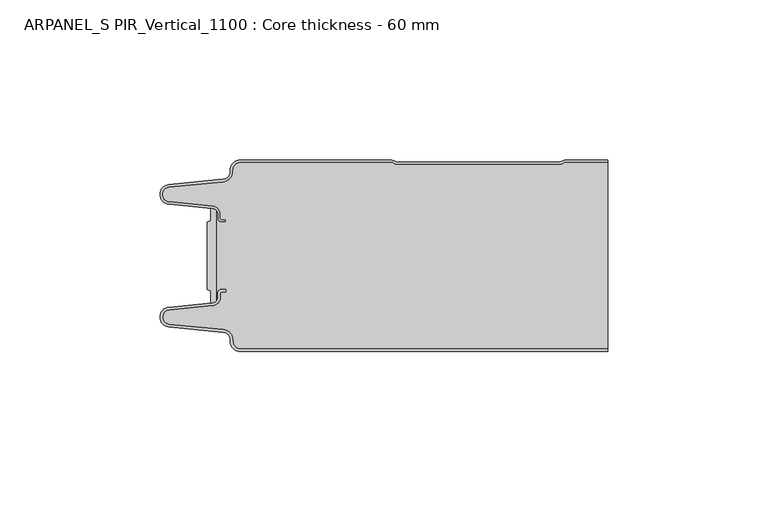
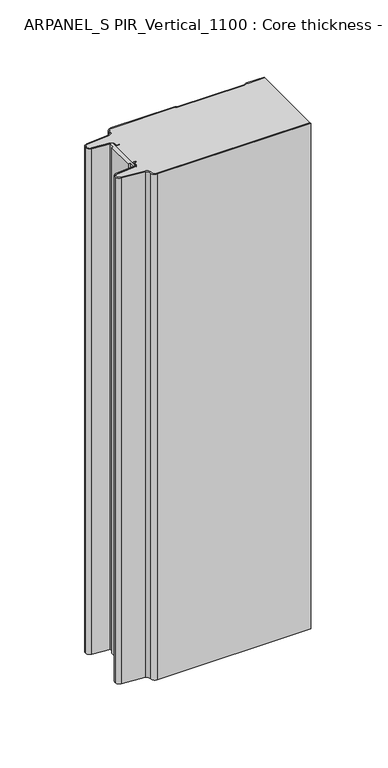
"""IFC4 building model written with IfcOpenShell, lengths in millimetres: plate geometry, ARPANEL_S PIR_Vertical_1100 : Core thickness - 60 mm."""

import ifcopenshell
import ifcopenshell.guid

model = None  # the IFC model being written
_history = None  # IfcOwnerHistory: only IFC2X3 demands one
_inside = {}  # id of a spatial element -> (the spatial element, [elements in it])
_under = {}  # id of a project, library or spatial element -> (it, [spatial elements below it])
_declared = {}  # id of a project -> (the project, [libraries it declares])
_typed = {}  # id of a type object -> (the type object, [elements of that type])
_made_of = {}  # id of a material, layer set ... -> (it, [elements and type objects made of it])


def new_model(schema):
    """Start an empty IFC model of exactly this schema.

    Asked for "IFC4X3", IfcOpenShell would pick the latest addendum, in which some entities
    have other attributes; the version numbers below select the first issue.
    IFC2X3 requires an IfcOwnerHistory on every rooted entity: one is made here for all.
    """
    global model, _history
    if schema == "IFC4X3":
        model = ifcopenshell.file(schema_version=(4, 3, 0, 0))
    else:
        model = ifcopenshell.file(schema=schema)
    _inside.clear()
    _under.clear()
    _declared.clear()
    _typed.clear()
    _made_of.clear()
    _history = None
    if model.schema == "IFC2X3":
        org = make("IfcOrganization", Name="unknown")
        user = make(
            "IfcPersonAndOrganization",
            ThePerson=make("IfcPerson", FamilyName="unknown"),
            TheOrganization=org,
        )
        app = make(
            "IfcApplication",
            ApplicationDeveloper=org,
            Version="unknown",
            ApplicationFullName="unknown",
            ApplicationIdentifier="unknown",
        )
        _history = make(
            "IfcOwnerHistory",
            OwningUser=user,
            OwningApplication=app,
            ChangeAction="ADDED",
            CreationDate=0,
        )
    return model


def make(cls, **values):
    """One entity of the class cls with the attributes given. An attribute that is None is left unset."""
    return model.create_entity(
        cls, **{name: value for name, value in values.items() if value is not None}
    )


def rooted(cls, **values):
    """An entity with a GlobalId (a new one), such as an element, a storey or a relation."""
    return make(cls, GlobalId=ifcopenshell.guid.new(), OwnerHistory=_history, **values)


def si_unit(unit_type, name, prefix=None):
    """IfcSIUnit, for example si_unit("LENGTHUNIT", "METRE", prefix="MILLI")."""
    return make("IfcSIUnit", UnitType=unit_type, Prefix=prefix, Name=name)


def assignment(units):
    """IfcUnitAssignment: the units of a project."""
    return None if units is None else make("IfcUnitAssignment", Units=units)


def point(xyz):
    """IfcCartesianPoint."""
    return None if xyz is None else make("IfcCartesianPoint", Coordinates=xyz)


def direction(xyz):
    """IfcDirection."""
    return None if xyz is None else make("IfcDirection", DirectionRatios=xyz)


def frame(location, z_axis=None, x_axis=None):
    """IfcAxis2Placement3D, a coordinate frame: its origin and axes. An axis left out is left unset."""
    return make(
        "IfcAxis2Placement3D",
        Location=point(location),
        Axis=direction(z_axis),
        RefDirection=direction(x_axis),
    )


def frame_2d(location, x_axis=None):
    """IfcAxis2Placement2D, a coordinate frame in the plane: its origin and x axis."""
    return make(
        "IfcAxis2Placement2D", Location=point(location), RefDirection=direction(x_axis)
    )


def origin():
    """The frame at (0, 0, 0) with its axes left unset."""
    return frame((0.0, 0.0, 0.0))


def origin_with_axes():
    """The frame at (0, 0, 0) with the z axis (0, 0, 1) and the x axis (1, 0, 0) written out."""
    return frame((0.0, 0.0, 0.0), z_axis=(0.0, 0.0, 1.0), x_axis=(1.0, 0.0, 0.0))


def place(relative_to, where):
    """IfcLocalPlacement: puts the frame where relative to a parent placement (None: the world)."""
    return make(
        "IfcLocalPlacement", PlacementRelTo=relative_to, RelativePlacement=where
    )


def context(
    kind, dimensions, precision=None, world=None, true_north=None, identifier=None
):
    """IfcGeometricRepresentationContext, for example the 3D "Model" context."""
    return make(
        "IfcGeometricRepresentationContext",
        ContextIdentifier=identifier,
        ContextType=kind,
        CoordinateSpaceDimension=dimensions,
        Precision=precision,
        WorldCoordinateSystem=world,
        TrueNorth=true_north,
    )


def project(units=None, contexts=None):
    """IfcProject with its units and contexts."""
    return rooted(
        "IfcProject",
        Name="project",
        RepresentationContexts=contexts,
        UnitsInContext=assignment(units),
    )


def spatial(cls, under=None, at=None, **own):
    """A site, building, storey or space (cls), placed at a placement, below another one or the project."""
    s = rooted(cls, ObjectPlacement=at, **own)
    if under is not None:
        _under.setdefault(under.id(), (under, []))[1].append(s)
    return s


def polyline(points):
    """IfcPolyline through the points."""
    return make("IfcPolyline", Points=[point(p) for p in points])


def circle_curve(where, radius):
    """IfcCircle in the frame where."""
    return make("IfcCircle", Position=where, Radius=radius)


def trimmed(basis, trim1, trim2, sense, master):
    """IfcTrimmedCurve: the piece of a basis curve between two trims."""
    return make(
        "IfcTrimmedCurve",
        BasisCurve=basis,
        Trim1=trim1,
        Trim2=trim2,
        SenseAgreement=sense,
        MasterRepresentation=master,
    )


def segment(curve, same_sense, transition):
    """IfcCompositeCurveSegment."""
    return make(
        "IfcCompositeCurveSegment",
        Transition=transition,
        SameSense=same_sense,
        ParentCurve=curve,
    )


def composite_curve(segments, self_intersect=None):
    """IfcCompositeCurve: segments joined end to end."""
    return make("IfcCompositeCurve", Segments=segments, SelfIntersect=self_intersect)


def outline(outer, holes=None, kind="AREA"):
    """IfcArbitraryClosedProfileDef: a profile drawn as a closed curve; with holes, ...WithVoids."""
    if holes is None:
        return make("IfcArbitraryClosedProfileDef", ProfileType=kind, OuterCurve=outer)
    return make(
        "IfcArbitraryProfileDefWithVoids",
        ProfileType=kind,
        OuterCurve=outer,
        InnerCurves=holes,
    )


def extrude(swept, where, along, depth):
    """IfcExtrudedAreaSolid: the profile swept, set in the frame where, extruded along a direction by depth."""
    return make(
        "IfcExtrudedAreaSolid",
        SweptArea=swept,
        Position=where,
        ExtrudedDirection=direction(along),
        Depth=depth,
    )


def shape(context_of_items, identifier, shape_type, items):
    """IfcShapeRepresentation: the items that make up one representation, for example the "Body"."""
    return make(
        "IfcShapeRepresentation",
        ContextOfItems=context_of_items,
        RepresentationIdentifier=identifier,
        RepresentationType=shape_type,
        Items=items,
    )


def source(mapping_origin, context_of_items, identifier, shape_type, items):
    """IfcRepresentationMap: a shape defined once, which mapped items show again and again."""
    return make(
        "IfcRepresentationMap",
        MappingOrigin=mapping_origin,
        MappedRepresentation=shape(context_of_items, identifier, shape_type, items),
    )


def transform(
    local_origin,
    x_axis=None,
    y_axis=None,
    z_axis=None,
    scale=None,
    scale2=None,
    scale3=None,
    uniform=True,
):
    """IfcCartesianTransformationOperator3D, or its non-uniform kind. x_axis, y_axis, z_axis: its Axis1, 2, 3."""
    if uniform:
        return make(
            "IfcCartesianTransformationOperator3D",
            Axis1=direction(x_axis),
            Axis2=direction(y_axis),
            LocalOrigin=point(local_origin),
            Scale=scale,
            Axis3=direction(z_axis),
        )
    return make(
        "IfcCartesianTransformationOperator3DnonUniform",
        Axis1=direction(x_axis),
        Axis2=direction(y_axis),
        LocalOrigin=point(local_origin),
        Scale=scale,
        Axis3=direction(z_axis),
        Scale2=scale2,
        Scale3=scale3,
    )


def mapped(mapping_source, mapping_target):
    """IfcMappedItem: shows the shape of a source again, moved by a transform."""
    return make(
        "IfcMappedItem", MappingSource=mapping_source, MappingTarget=mapping_target
    )


def made_of(thing, what):
    """Note that an element or type object is made of a material, layer set ...; save() writes the relation."""
    if what is not None:
        _made_of.setdefault(what.id(), (what, []))[1].append(thing)
    return thing


def element(
    cls,
    number,
    at=None,
    inside=None,
    cuts=None,
    type_object=None,
    material=None,
    context=None,
    identifier="Body",
    shape_type=None,
    held_by="IfcProductDefinitionShape",
    body=None,
    shapes=None,
    **own,
):
    """One element of the class cls, such as IfcWall. Its Tag is "e" and its number.

    at: its placement. inside: the storey or other place that contains it. cuts: it is an
    opening in that element (IfcRelVoidsElement). A single representation is given by context,
    identifier, shape_type and body (its items); several are given by shapes. held_by: the class
    of the entity that holds the representations. save() writes the other relations.
    """
    e = rooted(cls, Tag="e%d" % number, ObjectPlacement=at, **own)
    if body is not None:
        shapes = [shape(context, identifier, shape_type, body)]
    if shapes is not None:
        e.Representation = make(held_by, Representations=shapes)
    if inside is not None:
        _inside.setdefault(inside.id(), (inside, []))[1].append(e)
    if cuts is not None:
        rooted(
            "IfcRelVoidsElement", RelatingBuildingElement=cuts, RelatedOpeningElement=e
        )
    if type_object is not None:
        _typed.setdefault(type_object.id(), (type_object, []))[1].append(e)
    return made_of(e, material)


def aggregate(whole, parts):
    """IfcRelAggregates: a whole, such as a stair, and the parts it consists of."""
    return rooted("IfcRelAggregates", RelatingObject=whole, RelatedObjects=parts)


def save(model, path):
    """Write the relations noted so far, then the file.

    IfcRelAggregates (storeys below a building ...), IfcRelContainedInSpatialStructure (elements
    in a storey), IfcRelDefinesByType, IfcRelAssociatesMaterial and IfcRelDeclares: one each for
    every whole, place, type object, material and project.
    """
    for whole, parts in _under.values():
        aggregate(whole, parts)
    for where, things in _inside.values():
        rooted(
            "IfcRelContainedInSpatialStructure",
            RelatedElements=things,
            RelatingStructure=where,
        )
    for kind, things in _typed.values():
        rooted("IfcRelDefinesByType", RelatedObjects=things, RelatingType=kind)
    for what, things in _made_of.values():
        rooted("IfcRelAssociatesMaterial", RelatedObjects=things, RelatingMaterial=what)
    for by, libraries in _declared.values():
        rooted("IfcRelDeclares", RelatingContext=by, RelatedDefinitions=libraries)
    model.write(path)


def plane_surface(at):
    """IfcPlane: the flat surface through the origin of the frame at, square to its z axis."""
    return make("IfcPlane", Position=at)


def cylinder_surface(at, radius):
    """IfcCylindricalSurface: all points at the distance radius from the z axis of the frame at."""
    return make("IfcCylindricalSurface", Position=at, Radius=radius)


def revolved_surface(curve, axis_point, axis_direction):
    """IfcSurfaceOfRevolution: the curve turned about the line through axis_point along axis_direction."""
    return make(
        "IfcSurfaceOfRevolution",
        SweptCurve=make("IfcArbitraryOpenProfileDef", ProfileType="CURVE", Curve=curve),
        AxisPosition=make("IfcAxis1Placement", Location=point(axis_point), Axis=direction(axis_direction)),
    )


def advanced_brep(points, edges, surfaces, faces):
    """IfcAdvancedBrep: a solid bounded by faces that lie on surfaces and meet in shared edges.

    An edge is (start, end): straight between two places in points (the first is 0);
    or (start, end, curve); or (start, end, curve, False) where it runs against its curve.
    A face is (place in surfaces, loops), or (place, loops, False) where it looks against
    its surface's normal. A loop lists edges by number (the first is 1), with a minus sign
    where the edge is run from its end to its start. The first loop is the outer one.
    """
    corners = [point(p) for p in points]
    vertices = [make("IfcVertexPoint", VertexGeometry=c) for c in corners]
    made = []
    for start, end, *more in edges:
        made.append(
            make(
                "IfcEdgeCurve",
                EdgeStart=vertices[start],
                EdgeEnd=vertices[end],
                EdgeGeometry=more[0] if more else make("IfcPolyline", Points=[corners[start], corners[end]]),
                SameSense=more[1] if len(more) > 1 else True,
            )
        )
    hull = []
    for where, loops, *sense in faces:
        bounds = []
        for j, loop in enumerate(loops):
            ring = [make("IfcOrientedEdge", EdgeElement=made[abs(k) - 1], Orientation=k > 0) for k in loop]
            bounds.append(
                make(
                    "IfcFaceOuterBound" if j == 0 else "IfcFaceBound",
                    Bound=make("IfcEdgeLoop", EdgeList=ring),
                    Orientation=True,
                )
            )
        hull.append(make("IfcAdvancedFace", Bounds=bounds, FaceSurface=surfaces[where], SameSense=sense[0] if sense else True))
    return make("IfcAdvancedBrep", Outer=make("IfcClosedShell", CfsFaces=hull))


def arpanel_s_pir_vertical_1100_core_thickness_60_mm_12737c3d(model_context):
    return source(origin(), model_context, "Body", "SolidModel", [
        extrude(outline(composite_curve([segment(polyline([(-55.2854621, -19.4639745), (-54.0682893, -19.0209598), (-54.0682893, -15.20918)]), True, "CONTINUOUS"), segment(trimmed(circle_curve(frame_2d((-53.9194754, -17.302662)), 2.0987645), [point((-54.0682893, -15.20918))], [point((-52.4659308, -15.7887199))], False, "CARTESIAN"), True, "CONTINUOUS"), segment(polyline([(-52.4659308, -15.7887199), (-52.4659308, -44.2112801)]), True, "CONTINUOUS"), segment(trimmed(circle_curve(frame_2d((-53.9194754, -42.697338)), 2.0987645), [point((-52.4659308, -44.2112801))], [point((-54.0682893, -44.79082))], False, "CARTESIAN"), True, "CONTINUOUS"), segment(polyline([(-54.0682893, -44.79082), (-54.0682893, -40.9790402), (-55.2854621, -40.5360255), (-55.2854621, -19.4639745)]), True, "CONTINUOUS")], self_intersect=False)), origin_with_axes(), (0.0, 0.0, 1.0), 400.0),
        advanced_brep(
        [(-44.8000003, -59.9996949, 0.0), (-47.9923632, -56.5787437, 0.0), (-50.2560431, -53.9171154, 0.0), (-67.2115315, -52.2546153, 0.0), (-69.9999998, -49.1776715, 0.0), (-67.2115315, -46.1007278, 0.0), (-53.6195785, -44.7680252, 0.0), (-51.9952277, -42.9766159, 0.0), (-51.9952277, -41.8996949, 0.0), (-50.5952277, -40.4996949, 0.0), (-49.4952277, -40.4996949, 0.0), (-49.4952277, -41.2996949, 0.0), (-50.5952277, -41.2996949, 0.0), (-51.1952277, -41.8996949, 0.0), (-51.1952277, -42.9766159, 0.0), (-53.5415122, -45.5642071, 0.0), (-67.1334652, -46.8969097, 0.0), (-69.1999997, -49.1776715, 0.0), (-67.1334652, -51.4584333, 0.0), (-50.1779767, -53.1209335, 0.0), (-47.2078761, -56.6330399, 0.0), (-44.8000003, -59.1996949, 0.0), (69.9999998, -59.2, 0.0), (69.9999998, -59.9996949, 0.0), (-44.8000003, -59.1996949, 400.0), (-47.1942724, -56.6339815, 400.0), (-50.1779767, -53.1209335, 400.0), (-67.1334652, -51.4584333, 400.0), (-69.1999997, -49.1776715, 400.0), (-67.1334652, -46.8969097, 400.0), (-53.5415122, -45.5642071, 400.0), (-51.1952277, -42.9766159, 400.0), (-51.1952277, -41.8996949, 400.0), (-50.5952277, -41.2996949, 400.0), (-49.4952277, -41.2996949, 400.0), (-49.4952277, -40.4996949, 400.0), (-50.5952277, -40.4996949, 400.0), (-51.9952277, -41.8996949, 400.0), (-51.9952277, -42.9766159, 400.0), (-53.6195785, -44.7680252, 400.0), (-67.2115315, -46.1007278, 400.0), (-69.9999998, -49.1776715, 400.0), (-67.2115315, -52.2546153, 400.0), (-50.2560431, -53.9171154, 400.0), (-48.0059668, -56.5778021, 400.0), (-44.8000003, -59.9996949, 400.0), (69.9999998, -59.9996949, 400.0), (69.9999998, -59.2, 400.0)],
        [
            (0, 1, circle_curve(frame((-44.8000003, -56.7996949, 0.0), z_axis=(0.0, 0.0, -1.0), x_axis=(1.0, 0.0, 0.0)), 3.2)),
            (1, 2, circle_curve(frame((-50.5000003, -56.4051839, 0.0), z_axis=(0.0, 0.0, 1.0), x_axis=(1.0, 0.0, 0.0)), 2.5)),
            (2, 3),
            (3, 4, circle_curve(frame((-66.9100003, -49.1793626, 0.0), z_axis=(0.0, 0.0, -1.0), x_axis=(1.0, 0.0, 0.0)), 3.09)),
            (4, 5, circle_curve(frame((-66.9100003, -49.1759805, 0.0), z_axis=(0.0, 0.0, -1.0), x_axis=(1.0, 0.0, 0.0)), 3.09)),
            (5, 6),
            (6, 7, circle_curve(frame((-53.7952277, -42.9766159, 0.0), z_axis=(0.0, 0.0, 1.0), x_axis=(1.0, 0.0, 0.0)), 1.8)),
            (7, 8),
            (8, 9, circle_curve(frame((-50.5952277, -41.8996949, 0.0), z_axis=(0.0, 0.0, -1.0), x_axis=(1.0, 0.0, 0.0)), 1.4)),
            (9, 10),
            (10, 11),
            (11, 12),
            (12, 13, circle_curve(frame((-50.5952277, -41.8996949, 0.0), z_axis=(0.0, 0.0, 1.0), x_axis=(1.0, 0.0, 0.0)), 0.6)),
            (13, 14),
            (14, 15, circle_curve(frame((-53.7952277, -42.9766159, 0.0), z_axis=(0.0, 0.0, -1.0), x_axis=(1.0, 0.0, 0.0)), 2.6)),
            (15, 16),
            (16, 17, circle_curve(frame((-66.9100003, -49.1759805, 0.0), z_axis=(0.0, 0.0, 1.0), x_axis=(1.0, 0.0, 0.0)), 2.29)),
            (17, 18, circle_curve(frame((-66.9100003, -49.1793626, 0.0), z_axis=(0.0, 0.0, 1.0), x_axis=(1.0, 0.0, 0.0)), 2.29)),
            (18, 19),
            (19, 20, circle_curve(frame((-50.5000003, -56.4051839, 0.0), z_axis=(0.0, 0.0, -1.0), x_axis=(1.0, 0.0, 0.0)), 3.3)),
            (20, 21, circle_curve(frame((-44.8000003, -56.7996949, 0.0), z_axis=(0.0, 0.0, 1.0), x_axis=(1.0, 0.0, 0.0)), 2.4)),
            (21, 22),
            (22, 23),
            (23, 0),
            (24, 25, circle_curve(frame((-44.8000003, -56.7996949, 400.0), z_axis=(0.0, 0.0, -1.0), x_axis=(1.0, 0.0, 0.0)), 2.4)),
            (25, 26, circle_curve(frame((-50.5000003, -56.4051839, 400.0), z_axis=(0.0, 0.0, 1.0), x_axis=(1.0, 0.0, 0.0)), 3.3)),
            (26, 27),
            (27, 28, circle_curve(frame((-66.9100003, -49.1793626, 400.0), z_axis=(0.0, 0.0, -1.0), x_axis=(1.0, 0.0, 0.0)), 2.29)),
            (28, 29, circle_curve(frame((-66.9100003, -49.1759805, 400.0), z_axis=(0.0, 0.0, -1.0), x_axis=(1.0, 0.0, 0.0)), 2.29)),
            (29, 30),
            (30, 31, circle_curve(frame((-53.7952277, -42.9766159, 400.0), z_axis=(0.0, 0.0, 1.0), x_axis=(1.0, 0.0, 0.0)), 2.6)),
            (31, 32),
            (32, 33, circle_curve(frame((-50.5952277, -41.8996949, 400.0), z_axis=(0.0, 0.0, -1.0), x_axis=(1.0, 0.0, 0.0)), 0.6)),
            (33, 34),
            (34, 35),
            (35, 36),
            (36, 37, circle_curve(frame((-50.5952277, -41.8996949, 400.0), z_axis=(0.0, 0.0, 1.0), x_axis=(1.0, 0.0, 0.0)), 1.4)),
            (37, 38),
            (38, 39, circle_curve(frame((-53.7952277, -42.9766159, 400.0), z_axis=(0.0, 0.0, -1.0), x_axis=(1.0, 0.0, 0.0)), 1.8)),
            (39, 40),
            (40, 41, circle_curve(frame((-66.9100003, -49.1759805, 400.0), z_axis=(0.0, 0.0, 1.0), x_axis=(1.0, 0.0, 0.0)), 3.09)),
            (41, 42, circle_curve(frame((-66.9100003, -49.1793626, 400.0), z_axis=(0.0, 0.0, 1.0), x_axis=(1.0, 0.0, 0.0)), 3.09)),
            (42, 43),
            (43, 44, circle_curve(frame((-50.5000003, -56.4051839, 400.0), z_axis=(0.0, 0.0, -1.0), x_axis=(1.0, 0.0, 0.0)), 2.5)),
            (44, 45, circle_curve(frame((-44.8000003, -56.7996949, 400.0), z_axis=(0.0, 0.0, 1.0), x_axis=(1.0, 0.0, 0.0)), 3.2)),
            (45, 46),
            (46, 47),
            (47, 24),
            (21, 24),
            (47, 22),
            (20, 25),
            (19, 26),
            (18, 27),
            (17, 28),
            (16, 29),
            (15, 30),
            (14, 31),
            (13, 32),
            (12, 33),
            (11, 34),
            (10, 35),
            (9, 36),
            (8, 37),
            (7, 38),
            (6, 39),
            (5, 40),
            (4, 41),
            (3, 42),
            (2, 43),
            (1, 44),
            (0, 45),
            (23, 46),
        ],
        [
            plane_surface(frame((-69.9999998, -60.0, 0.0), z_axis=(0.0, 0.0, -1.0), x_axis=(0.0, 1.0, 0.0))),
            plane_surface(frame((-69.9999998, -60.0, 400.0), z_axis=(0.0, 0.0, 1.0), x_axis=(0.0, 1.0, 0.0))),
            plane_surface(frame((-44.8000003, -59.2, 0.0), z_axis=(0.0, 1.0, 0.0), x_axis=(0.0, 0.0, 1.0))),
            revolved_surface(polyline([(-42.4000003, -56.7996949, 400.0), (-42.4000003, -56.7996949, 0.0)]), (-44.8000003, -56.7996949, 0.0), (0.0, 0.0, 1.0)),
            cylinder_surface(frame((-50.5000003, -56.4051839, 0.0), z_axis=(0.0, 0.0, -1.0), x_axis=(1.0, 0.0, 0.0)), 3.3),
            plane_surface(frame((-67.1334652, -51.4584333, 0.0), z_axis=(0.09758289975914758, 0.9952273999818314, 0.0), x_axis=(0.0, 0.0, 1.0))),
            revolved_surface(polyline([(-64.62000029999999, -49.1793626, 400.0), (-64.62000029999999, -49.1793626, 0.0)]), (-66.9100003, -49.1793626, 0.0), (0.0, 0.0, 1.0)),
            revolved_surface(polyline([(-64.62000029999999, -49.1759805, 400.0), (-64.62000029999999, -49.1759805, 0.0)]), (-66.9100003, -49.1759805, 0.0), (0.0, 0.0, 1.0)),
            plane_surface(frame((-53.5415122, -45.5642071, 0.0), z_axis=(0.09758289975914383, -0.9952273999818317, 0.0), x_axis=(0.0, 0.0, 1.0))),
            cylinder_surface(frame((-53.7952277, -42.9766159, 0.0), z_axis=(0.0, 0.0, -1.0), x_axis=(1.0, 0.0, 0.0)), 2.6),
            plane_surface(frame((-51.1952277, -41.8996949, 0.0), z_axis=(1.0, 0.0, 0.0), x_axis=(0.0, 0.0, 1.0))),
            revolved_surface(polyline([(-49.9952277, -41.8996949, 400.0), (-49.9952277, -41.8996949, 0.0)]), (-50.5952277, -41.8996949, 0.0), (0.0, 0.0, 1.0)),
            plane_surface(frame((-49.4952277, -41.2996949, 0.0), z_axis=(0.0, -1.0, 0.0), x_axis=(0.0, 0.0, 1.0))),
            plane_surface(frame((-49.4952277, -40.4996949, 0.0), z_axis=(1.0, 0.0, 0.0), x_axis=(0.0, 0.0, 1.0))),
            plane_surface(frame((-50.5952277, -40.4996949, 0.0), z_axis=(0.0, 1.0, 0.0), x_axis=(0.0, 0.0, 1.0))),
            cylinder_surface(frame((-50.5952277, -41.8996949, 0.0), z_axis=(0.0, 0.0, -1.0), x_axis=(1.0, 0.0, 0.0)), 1.4),
            plane_surface(frame((-51.9952277, -42.9766159, 0.0), z_axis=(-1.0, 0.0, 0.0), x_axis=(0.0, 0.0, 1.0))),
            revolved_surface(polyline([(-51.9952277, -42.9766159, 400.0), (-51.9952277, -42.9766159, 0.0)]), (-53.7952277, -42.9766159, 0.0), (0.0, 0.0, 1.0)),
            plane_surface(frame((-67.2115315, -46.1007278, 0.0), z_axis=(-0.09758289975914387, 0.9952273999818317, 0.0), x_axis=(0.0, 0.0, 1.0))),
            cylinder_surface(frame((-66.9100003, -49.1759805, 0.0), z_axis=(0.0, 0.0, -1.0), x_axis=(1.0, 0.0, 0.0)), 3.09),
            cylinder_surface(frame((-66.9100003, -49.1793626, 0.0), z_axis=(0.0, 0.0, -1.0), x_axis=(1.0, 0.0, 0.0)), 3.09),
            plane_surface(frame((-50.2560431, -53.9171154, 0.0), z_axis=(-0.09758289975914762, -0.9952273999818314, 0.0), x_axis=(0.0, 0.0, 1.0))),
            revolved_surface(polyline([(-48.0000003, -56.4051839, 400.0), (-48.0000003, -56.4051839, 0.0)]), (-50.5000003, -56.4051839, 0.0), (0.0, 0.0, 1.0)),
            cylinder_surface(frame((-44.8000003, -56.7996949, 0.0), z_axis=(0.0, 0.0, -1.0), x_axis=(1.0, 0.0, 0.0)), 3.2),
            plane_surface(frame((1046.009932, -59.9996949, 0.0), z_axis=(0.0, -1.0, 0.0), x_axis=(0.0, 0.0, 1.0))),
            plane_surface(frame((69.9999998, 180.0, 400.0), z_axis=(1.0, 0.0, 0.0), x_axis=(0.0, 0.0, -1.0))),
        ],
        [
            (0, [[1, 2, 3, 4, 5, 6, 7, 8, 9, 10, 11, 12, 13, 14, 15, 16, 17, 18, 19, 20, 21, 22, 23, 24]]),
            (1, [[25, 26, 27, 28, 29, 30, 31, 32, 33, 34, 35, 36, 37, 38, 39, 40, 41, 42, 43, 44, 45, 46, 47, 48]]),
            (2, [[49, -48, 50, -22]]),
            (3, [[-21, 51, -25, -49]]),
            (4, [[-20, 52, -26, -51]]),
            (5, [[-19, 53, -27, -52]]),
            (6, [[-18, 54, -28, -53]]),
            (7, [[-17, 55, -29, -54]]),
            (8, [[-16, 56, -30, -55]]),
            (9, [[-15, 57, -31, -56]]),
            (10, [[-14, 58, -32, -57]]),
            (11, [[-13, 59, -33, -58]]),
            (12, [[-12, 60, -34, -59]]),
            (13, [[-11, 61, -35, -60]]),
            (14, [[-10, 62, -36, -61]]),
            (15, [[-9, 63, -37, -62]]),
            (16, [[-8, 64, -38, -63]]),
            (17, [[-7, 65, -39, -64]]),
            (18, [[-6, 66, -40, -65]]),
            (19, [[-5, 67, -41, -66]]),
            (20, [[-4, 68, -42, -67]]),
            (21, [[-3, 69, -43, -68]]),
            (22, [[-2, 70, -44, -69]]),
            (23, [[-1, 71, -45, -70]]),
            (24, [[-71, -24, 72, -46]]),
            (25, [[-23, -50, -47, -72]]),
        ],
    ),
        advanced_brep(
        [(-51.9952277, -17.0233841, 400.0), (-52.4671027, -15.8084422, 400.0), (-52.4671027, -44.1915578, 400.0), (-51.9952277, -42.9766159, 400.0), (-51.9952277, -41.8996949, 400.0), (-50.5952277, -40.4996949, 400.0), (-49.4952277, -40.4996949, 400.0), (-49.4952277, -41.2996949, 400.0), (-50.5952277, -41.2996949, 400.0), (-51.1952277, -41.8996949, 400.0), (-51.1952277, -42.9766159, 400.0), (-53.5415122, -45.5642071, 400.0), (-67.1334652, -46.8969097, 400.0), (-69.1999997, -49.1776715, 400.0), (-67.1334652, -51.4584333, 400.0), (-50.1779767, -53.1209335, 400.0), (-47.2078761, -56.6330399, 400.0), (-44.8000003, -59.1996949, 400.0), (69.9999998, -59.2, 400.0), (69.9999998, -0.8, 400.0), (57.0487965, -0.8, 400.0), (55.9973806, -1.0986697, 400.0), (54.5769997, -1.5003051, 400.0), (4.4172165, -1.5003051, 400.0), (2.9978051, -1.0971009, 400.0), (1.9454197, -0.8, 400.0), (-44.8000003, -0.8, 400.0), (-47.1942724, -3.3660185, 400.0), (-50.1779767, -6.8790665, 400.0), (-67.1334652, -8.5415667, 400.0), (-69.1999997, -10.8223285, 400.0), (-67.1334652, -13.1030903, 400.0), (-53.5415122, -14.4357929, 400.0), (-51.1952277, -17.0233841, 400.0), (-51.1952277, -18.1003051, 400.0), (-50.5952277, -18.7003051, 400.0), (-49.4952277, -18.7003051, 400.0), (-49.4952277, -19.5003051, 400.0), (-50.5952277, -19.5003051, 400.0), (-51.9952277, -18.1003051, 400.0), (-52.4671027, -15.8084422, 0.0), (-51.9952277, -17.0233841, 0.0), (-51.9952277, -18.1003051, 0.0), (-50.5952277, -19.5003051, 0.0), (-49.4952277, -19.5003051, 0.0), (-49.4952277, -18.7003051, 0.0), (-50.5952277, -18.7003051, 0.0), (-51.1952277, -18.1003051, 0.0), (-51.1952277, -17.0233841, 0.0), (-53.5415122, -14.4357929, 0.0), (-67.1334652, -13.1030903, 0.0), (-69.1999997, -10.8223285, 0.0), (-67.1334652, -8.5415667, 0.0), (-50.1779767, -6.8790665, 0.0), (-47.2078761, -3.3669601, 0.0), (-44.8000003, -0.8003051, 0.0), (1.9454197, -0.8, 0.0), (2.9968355, -1.0986697, 0.0), (4.4172165, -1.5003051, 0.0), (54.5769997, -1.5003051, 0.0), (55.9964111, -1.0971009, 0.0), (57.0487965, -0.8, 0.0), (69.9999998, -0.8, 0.0), (69.9999998, -59.2, 0.0), (-44.8000003, -59.2, 0.0), (-47.1942724, -56.6339815, 0.0), (-50.1779767, -53.1209335, 0.0), (-67.1334652, -51.4584333, 0.0), (-69.1999997, -49.1776715, 0.0), (-67.1334652, -46.8969097, 0.0), (-53.5415122, -45.5642071, 0.0), (-51.1952277, -42.9766159, 0.0), (-51.1952277, -41.8996949, 0.0), (-50.5952277, -41.2996949, 0.0), (-49.4952277, -41.2996949, 0.0), (-49.4952277, -40.4996949, 0.0), (-50.5952277, -40.4996949, 0.0), (-51.9952277, -41.8996949, 0.0), (-51.9952277, -42.9766159, 0.0), (-52.4671027, -44.1915578, 0.0)],
        [
            (0, 1, circle_curve(frame((-53.7952277, -17.0233841, 400.0), z_axis=(0.0, 0.0, 1.0), x_axis=(1.0, 0.0, 0.0)), 1.8)),
            (1, 2),
            (2, 3, circle_curve(frame((-53.7952277, -42.9766159, 400.0), z_axis=(0.0, 0.0, 1.0), x_axis=(1.0, 0.0, 0.0)), 1.8)),
            (3, 4),
            (4, 5, circle_curve(frame((-50.5952277, -41.8996949, 400.0), z_axis=(0.0, 0.0, -1.0), x_axis=(1.0, 0.0, 0.0)), 1.4)),
            (5, 6),
            (6, 7),
            (7, 8),
            (8, 9, circle_curve(frame((-50.5952277, -41.8996949, 400.0), z_axis=(0.0, 0.0, 1.0), x_axis=(1.0, 0.0, 0.0)), 0.6)),
            (9, 10),
            (10, 11, circle_curve(frame((-53.7952277, -42.9766159, 400.0), z_axis=(0.0, 0.0, -1.0), x_axis=(1.0, 0.0, 0.0)), 2.6)),
            (11, 12),
            (12, 13, circle_curve(frame((-66.9100003, -49.1759805, 400.0), z_axis=(0.0, 0.0, 1.0), x_axis=(1.0, 0.0, 0.0)), 2.29)),
            (13, 14, circle_curve(frame((-66.9100003, -49.1793626, 400.0), z_axis=(0.0, 0.0, 1.0), x_axis=(1.0, 0.0, 0.0)), 2.29)),
            (14, 15),
            (15, 16, circle_curve(frame((-50.5000003, -56.4051839, 400.0), z_axis=(0.0, 0.0, -1.0), x_axis=(1.0, 0.0, 0.0)), 3.3)),
            (16, 17, circle_curve(frame((-44.8000003, -56.7996949, 400.0), z_axis=(0.0, 0.0, 1.0), x_axis=(1.0, 0.0, 0.0)), 2.4)),
            (17, 18),
            (18, 19),
            (19, 20),
            (20, 21, circle_curve(frame((57.0487965, -2.8, 400.0), z_axis=(0.0, 0.0, 1.0), x_axis=(1.0, 0.0, 0.0)), 2.0)),
            (21, 22, circle_curve(frame((54.5769997, 1.1996949, 400.0), z_axis=(0.0, 0.0, -1.0), x_axis=(1.0, 0.0, 0.0)), 2.7)),
            (22, 23),
            (23, 24, circle_curve(frame((4.4172165, 1.1996949, 400.0), z_axis=(0.0, 0.0, -1.0), x_axis=(1.0, 0.0, 0.0)), 2.7)),
            (24, 25, circle_curve(frame((1.9454197, -2.8, 400.0), z_axis=(0.0, 0.0, 1.0), x_axis=(1.0, 0.0, 0.0)), 2.0)),
            (25, 26),
            (26, 27, circle_curve(frame((-44.8000003, -3.2003051, 400.0), z_axis=(0.0, 0.0, 1.0), x_axis=(1.0, 0.0, 0.0)), 2.4)),
            (27, 28, circle_curve(frame((-50.5000003, -3.5948161, 400.0), z_axis=(0.0, 0.0, -1.0), x_axis=(1.0, 0.0, 0.0)), 3.3)),
            (28, 29),
            (29, 30, circle_curve(frame((-66.9100003, -10.8206374, 400.0), z_axis=(0.0, 0.0, 1.0), x_axis=(1.0, 0.0, 0.0)), 2.29)),
            (30, 31, circle_curve(frame((-66.9100003, -10.8240195, 400.0), z_axis=(0.0, 0.0, 1.0), x_axis=(1.0, 0.0, 0.0)), 2.29)),
            (31, 32),
            (32, 33, circle_curve(frame((-53.7952277, -17.0233841, 400.0), z_axis=(0.0, 0.0, -1.0), x_axis=(1.0, 0.0, 0.0)), 2.6)),
            (33, 34),
            (34, 35, circle_curve(frame((-50.5952277, -18.1003051, 400.0), z_axis=(0.0, 0.0, 1.0), x_axis=(1.0, 0.0, 0.0)), 0.6)),
            (35, 36),
            (36, 37),
            (37, 38),
            (38, 39, circle_curve(frame((-50.5952277, -18.1003051, 400.0), z_axis=(0.0, 0.0, -1.0), x_axis=(1.0, 0.0, 0.0)), 1.4)),
            (39, 0),
            (40, 41, circle_curve(frame((-53.7952277, -17.0233841, 0.0), z_axis=(0.0, 0.0, -1.0), x_axis=(1.0, 0.0, 0.0)), 1.8)),
            (41, 42),
            (42, 43, circle_curve(frame((-50.5952277, -18.1003051, 0.0), z_axis=(0.0, 0.0, 1.0), x_axis=(1.0, 0.0, 0.0)), 1.4)),
            (43, 44),
            (44, 45),
            (45, 46),
            (46, 47, circle_curve(frame((-50.5952277, -18.1003051, 0.0), z_axis=(0.0, 0.0, -1.0), x_axis=(1.0, 0.0, 0.0)), 0.6)),
            (47, 48),
            (48, 49, circle_curve(frame((-53.7952277, -17.0233841, 0.0), z_axis=(0.0, 0.0, 1.0), x_axis=(1.0, 0.0, 0.0)), 2.6)),
            (49, 50),
            (50, 51, circle_curve(frame((-66.9100003, -10.8240195, 0.0), z_axis=(0.0, 0.0, -1.0), x_axis=(1.0, 0.0, 0.0)), 2.29)),
            (51, 52, circle_curve(frame((-66.9100003, -10.8206374, 0.0), z_axis=(0.0, 0.0, -1.0), x_axis=(1.0, 0.0, 0.0)), 2.29)),
            (52, 53),
            (53, 54, circle_curve(frame((-50.5000003, -3.5948161, 0.0), z_axis=(0.0, 0.0, 1.0), x_axis=(1.0, 0.0, 0.0)), 3.3)),
            (54, 55, circle_curve(frame((-44.8000003, -3.2003051, 0.0), z_axis=(0.0, 0.0, -1.0), x_axis=(1.0, 0.0, 0.0)), 2.4)),
            (55, 56),
            (56, 57, circle_curve(frame((1.9454197, -2.8, 0.0), z_axis=(0.0, 0.0, -1.0), x_axis=(1.0, 0.0, 0.0)), 2.0)),
            (57, 58, circle_curve(frame((4.4172165, 1.1996949, 0.0), z_axis=(0.0, 0.0, 1.0), x_axis=(1.0, 0.0, 0.0)), 2.7)),
            (58, 59),
            (59, 60, circle_curve(frame((54.5769997, 1.1996949, 0.0), z_axis=(0.0, 0.0, 1.0), x_axis=(1.0, 0.0, 0.0)), 2.7)),
            (60, 61, circle_curve(frame((57.0487965, -2.8, 0.0), z_axis=(0.0, 0.0, -1.0), x_axis=(1.0, 0.0, 0.0)), 2.0)),
            (61, 62),
            (62, 63),
            (63, 64),
            (64, 65, circle_curve(frame((-44.8000003, -56.7996949, 0.0), z_axis=(0.0, 0.0, -1.0), x_axis=(1.0, 0.0, 0.0)), 2.4)),
            (65, 66, circle_curve(frame((-50.5000003, -56.4051839, 0.0), z_axis=(0.0, 0.0, 1.0), x_axis=(1.0, 0.0, 0.0)), 3.3)),
            (66, 67),
            (67, 68, circle_curve(frame((-66.9100003, -49.1793626, 0.0), z_axis=(0.0, 0.0, -1.0), x_axis=(1.0, 0.0, 0.0)), 2.29)),
            (68, 69, circle_curve(frame((-66.9100003, -49.1759805, 0.0), z_axis=(0.0, 0.0, -1.0), x_axis=(1.0, 0.0, 0.0)), 2.29)),
            (69, 70),
            (70, 71, circle_curve(frame((-53.7952277, -42.9766159, 0.0), z_axis=(0.0, 0.0, 1.0), x_axis=(1.0, 0.0, 0.0)), 2.6)),
            (71, 72),
            (72, 73, circle_curve(frame((-50.5952277, -41.8996949, 0.0), z_axis=(0.0, 0.0, -1.0), x_axis=(1.0, 0.0, 0.0)), 0.6)),
            (73, 74),
            (74, 75),
            (75, 76),
            (76, 77, circle_curve(frame((-50.5952277, -41.8996949, 0.0), z_axis=(0.0, 0.0, 1.0), x_axis=(1.0, 0.0, 0.0)), 1.4)),
            (77, 78),
            (78, 79, circle_curve(frame((-53.7952277, -42.9766159, 0.0), z_axis=(0.0, 0.0, -1.0), x_axis=(1.0, 0.0, 0.0)), 1.8)),
            (79, 40),
            (1, 40),
            (79, 2),
            (0, 41),
            (39, 42),
            (38, 43),
            (37, 44),
            (45, 36),
            (35, 46),
            (34, 47),
            (33, 48),
            (32, 49),
            (31, 50),
            (30, 51),
            (29, 52),
            (28, 53),
            (27, 54),
            (26, 55),
            (25, 56),
            (24, 57),
            (23, 58),
            (22, 59),
            (21, 60),
            (20, 61),
            (19, 62),
            (17, 64),
            (63, 18),
            (16, 65),
            (15, 66),
            (14, 67),
            (13, 68),
            (12, 69),
            (11, 70),
            (10, 71),
            (9, 72),
            (8, 73),
            (7, 74),
            (6, 75),
            (5, 76),
            (4, 77),
            (3, 78),
        ],
        [
            plane_surface(frame((-69.9999998, 0.0, 400.0), z_axis=(0.0, 0.0, 1.0), x_axis=(0.0, -1.0, 0.0))),
            plane_surface(frame((-69.9999998, 0.0, 0.0), z_axis=(0.0, 0.0, -1.0), x_axis=(0.0, -1.0, 0.0))),
            plane_surface(frame((-52.4671027, -14.998578, 400.0), z_axis=(-1.0, 0.0, 0.0), x_axis=(0.0, 0.0, -1.0))),
            cylinder_surface(frame((-53.7952277, -17.0233841, 530.0), z_axis=(0.0, 0.0, -1.0), x_axis=(1.0, 0.0, 0.0)), 1.8),
            plane_surface(frame((-51.9952277, -17.0233841, 530.0), z_axis=(1.0, 0.0, 0.0), x_axis=(0.0, 0.0, -1.0))),
            revolved_surface(polyline([(-49.195227700000004, -18.1003051, 400.0), (-49.195227700000004, -18.1003051, 0.0)]), (-50.5952277, -18.1003051, 530.0), (0.0, 0.0, 1.0)),
            plane_surface(frame((-50.5952277, -19.5003051, 530.0), z_axis=(0.0, 1.0, 0.0), x_axis=(0.0, 0.0, -1.0))),
            plane_surface(frame((-49.4952277, -18.7003051, 530.0), z_axis=(0.0, -1.0, 0.0), x_axis=(0.0, 0.0, -1.0))),
            cylinder_surface(frame((-50.5952277, -18.1003051, 530.0), z_axis=(0.0, 0.0, -1.0), x_axis=(1.0, 0.0, 0.0)), 0.6),
            plane_surface(frame((-51.1952277, -18.1003051, 530.0), z_axis=(-1.0, 0.0, 0.0), x_axis=(0.0, 0.0, -1.0))),
            revolved_surface(polyline([(-51.1952277, -17.0233841, 400.0), (-51.1952277, -17.0233841, 0.0)]), (-53.7952277, -17.0233841, 530.0), (0.0, 0.0, 1.0)),
            plane_surface(frame((-53.5415122, -14.4357929, 530.0), z_axis=(-0.09758289975914705, -0.9952273999818314, 0.0), x_axis=(0.0, 0.0, -1.0))),
            cylinder_surface(frame((-66.9100003, -10.8240195, 530.0), z_axis=(0.0, 0.0, -1.0), x_axis=(1.0, 0.0, 0.0)), 2.29),
            cylinder_surface(frame((-66.9100003, -10.8206374, 530.0), z_axis=(0.0, 0.0, -1.0), x_axis=(1.0, 0.0, 0.0)), 2.29),
            plane_surface(frame((-67.1334652, -8.5415667, 530.0), z_axis=(-0.09758289975914436, 0.9952273999818317, 0.0), x_axis=(0.0, 0.0, -1.0))),
            revolved_surface(polyline([(-47.200000300000006, -3.5948161, 400.0), (-47.200000300000006, -3.5948161, 0.0)]), (-50.5000003, -3.5948161, 530.0), (0.0, 0.0, 1.0)),
            cylinder_surface(frame((-44.8000003, -3.2003051, 530.0), z_axis=(0.0, 0.0, -1.0), x_axis=(1.0, 0.0, 0.0)), 2.4),
            plane_surface(frame((-44.8000003, -0.8, 530.0), z_axis=(0.0, 1.0, 0.0), x_axis=(0.0, 0.0, -1.0))),
            cylinder_surface(frame((1.9454197, -2.8, 530.0), z_axis=(0.0, 0.0, -1.0), x_axis=(1.0, 0.0, 0.0)), 2.0),
            revolved_surface(polyline([(7.1172165000000005, 1.1996949, 400.0), (7.1172165000000005, 1.1996949, 0.0)]), (4.4172165, 1.1996949, 530.0), (0.0, 0.0, 1.0)),
            plane_surface(frame((4.4172165, -1.5003051, 530.0), z_axis=(0.0, 1.0, 0.0), x_axis=(0.0, 0.0, -1.0))),
            revolved_surface(polyline([(57.276999700000005, 1.1996949, 400.0), (57.276999700000005, 1.1996949, 0.0)]), (54.5769997, 1.1996949, 530.0), (0.0, 0.0, 1.0)),
            cylinder_surface(frame((57.0487965, -2.8, 530.0), z_axis=(0.0, 0.0, -1.0), x_axis=(1.0, 0.0, 0.0)), 2.0),
            plane_surface(frame((57.0487965, -0.8, 530.0), z_axis=(0.0, 1.0, 0.0), x_axis=(0.0, 0.0, -1.0))),
            plane_surface(frame((-49.4952277, -19.5003051, 530.0), z_axis=(-1.0, 0.0, 0.0), x_axis=(0.0, 0.0, -1.0))),
            plane_surface(frame((1046.009932, -59.2, 530.0), z_axis=(0.0, -1.0, 0.0), x_axis=(0.0, 0.0, -1.0))),
            cylinder_surface(frame((-44.8000003, -56.7996949, 530.0), z_axis=(0.0, 0.0, -1.0), x_axis=(1.0, 0.0, 0.0)), 2.4),
            revolved_surface(polyline([(-47.200000300000006, -56.4051839, 400.0), (-47.200000300000006, -56.4051839, 0.0)]), (-50.5000003, -56.4051839, 530.0), (0.0, 0.0, 1.0)),
            plane_surface(frame((-50.1779767, -53.1209335, 530.0), z_axis=(-0.09758289975914758, -0.9952273999818314, 0.0), x_axis=(0.0, 0.0, -1.0))),
            cylinder_surface(frame((-66.9100003, -49.1793626, 530.0), z_axis=(0.0, 0.0, -1.0), x_axis=(1.0, 0.0, 0.0)), 2.29),
            cylinder_surface(frame((-66.9100003, -49.1759805, 530.0), z_axis=(0.0, 0.0, -1.0), x_axis=(1.0, 0.0, 0.0)), 2.29),
            plane_surface(frame((-67.1334652, -46.8969097, 530.0), z_axis=(-0.09758289975914383, 0.9952273999818317, 0.0), x_axis=(0.0, 0.0, -1.0))),
            revolved_surface(polyline([(-51.1952277, -42.9766159, 400.0), (-51.1952277, -42.9766159, 0.0)]), (-53.7952277, -42.9766159, 530.0), (0.0, 0.0, 1.0)),
            plane_surface(frame((-51.1952277, -42.9766159, 530.0), z_axis=(-1.0, 0.0, 0.0), x_axis=(0.0, 0.0, -1.0))),
            cylinder_surface(frame((-50.5952277, -41.8996949, 530.0), z_axis=(0.0, 0.0, -1.0), x_axis=(1.0, 0.0, 0.0)), 0.6),
            plane_surface(frame((-50.5952277, -41.2996949, 530.0), z_axis=(0.0, 1.0, 0.0), x_axis=(0.0, 0.0, -1.0))),
            plane_surface(frame((-49.4952277, -41.2996949, 530.0), z_axis=(-1.0, 0.0, 0.0), x_axis=(0.0, 0.0, -1.0))),
            plane_surface(frame((-49.4952277, -40.4996949, 530.0), z_axis=(0.0, -1.0, 0.0), x_axis=(0.0, 0.0, -1.0))),
            revolved_surface(polyline([(-49.195227700000004, -41.8996949, 400.0), (-49.195227700000004, -41.8996949, 0.0)]), (-50.5952277, -41.8996949, 530.0), (0.0, 0.0, 1.0)),
            plane_surface(frame((-51.9952277, -41.8996949, 530.0), z_axis=(1.0, 0.0, 0.0), x_axis=(0.0, 0.0, -1.0))),
            cylinder_surface(frame((-53.7952277, -42.9766159, 530.0), z_axis=(0.0, 0.0, -1.0), x_axis=(1.0, 0.0, 0.0)), 1.8),
            plane_surface(frame((69.9999998, 180.0, 400.0), z_axis=(1.0, 0.0, 0.0), x_axis=(0.0, 0.0, -1.0))),
        ],
        [
            (0, [[1, 2, 3, 4, 5, 6, 7, 8, 9, 10, 11, 12, 13, 14, 15, 16, 17, 18, 19, 20, 21, 22, 23, 24, 25, 26, 27, 28, 29, 30, 31, 32, 33, 34, 35, 36, 37, 38, 39, 40]]),
            (1, [[41, 42, 43, 44, 45, 46, 47, 48, 49, 50, 51, 52, 53, 54, 55, 56, 57, 58, 59, 60, 61, 62, 63, 64, 65, 66, 67, 68, 69, 70, 71, 72, 73, 74, 75, 76, 77, 78, 79, 80]]),
            (2, [[81, -80, 82, -2]]),
            (3, [[83, -41, -81, -1]]),
            (4, [[-83, -40, 84, -42]]),
            (5, [[-84, -39, 85, -43]]),
            (6, [[-85, -38, 86, -44]]),
            (7, [[87, -36, 88, -46]]),
            (8, [[-88, -35, 89, -47]]),
            (9, [[-89, -34, 90, -48]]),
            (10, [[-90, -33, 91, -49]]),
            (11, [[-91, -32, 92, -50]]),
            (12, [[-92, -31, 93, -51]]),
            (13, [[-93, -30, 94, -52]]),
            (14, [[-94, -29, 95, -53]]),
            (15, [[-95, -28, 96, -54]]),
            (16, [[-96, -27, 97, -55]]),
            (17, [[-97, -26, 98, -56]]),
            (18, [[-98, -25, 99, -57]]),
            (19, [[-99, -24, 100, -58]]),
            (20, [[-100, -23, 101, -59]]),
            (21, [[-101, -22, 102, -60]]),
            (22, [[-102, -21, 103, -61]]),
            (23, [[-103, -20, 104, -62]]),
            (24, [[-87, -45, -86, -37]]),
            (25, [[105, -64, 106, -18]]),
            (26, [[-105, -17, 107, -65]]),
            (27, [[-107, -16, 108, -66]]),
            (28, [[-108, -15, 109, -67]]),
            (29, [[-109, -14, 110, -68]]),
            (30, [[-110, -13, 111, -69]]),
            (31, [[-111, -12, 112, -70]]),
            (32, [[-112, -11, 113, -71]]),
            (33, [[-113, -10, 114, -72]]),
            (34, [[-114, -9, 115, -73]]),
            (35, [[-115, -8, 116, -74]]),
            (36, [[-116, -7, 117, -75]]),
            (37, [[-117, -6, 118, -76]]),
            (38, [[-118, -5, 119, -77]]),
            (39, [[-119, -4, 120, -78]]),
            (40, [[-120, -3, -82, -79]]),
            (41, [[-104, -19, -106, -63]]),
        ],
    ),
        advanced_brep(
        [(2.9968355, -1.0986697, 0.0), (1.9454197, -0.8, 0.0), (-44.8000003, -0.8, 0.0), (-47.1942724, -3.3660185, 0.0), (-50.1779767, -6.8790665, 0.0), (-67.1334652, -8.5415667, 0.0), (-69.1999997, -10.8223285, 0.0), (-67.1334652, -13.1030903, 0.0), (-53.5415122, -14.4357929, 0.0), (-51.1952277, -17.0233841, 0.0), (-51.1952277, -18.1003051, 0.0), (-50.5952277, -18.7003051, 0.0), (-49.4952277, -18.7003051, 0.0), (-49.4952277, -19.5003051, 0.0), (-50.5952277, -19.5003051, 0.0), (-51.9952277, -18.1003051, 0.0), (-51.9952277, -17.0233841, 0.0), (-53.6195785, -15.2319748, 0.0), (-67.2115315, -13.8992722, 0.0), (-69.9999998, -10.8223285, 0.0), (-67.2115315, -7.7453847, 0.0), (-50.2560431, -6.0828846, 0.0), (-48.0059668, -3.4221979, 0.0), (-44.8000003, -0.0003051, 0.0), (1.9454197, -0.0003051, 0.0), (3.3647528, -0.4034608, 0.0), (4.4172165, -0.7003051, 0.0), (54.5769997, -0.7003051, 0.0), (55.6283575, -0.4016712, 0.0), (57.0487965, -0.0003051, 0.0), (69.9999998, -0.0003051, 0.0), (69.9999998, -0.8, 0.0), (57.0487965, -0.8, 0.0), (55.9973806, -1.0986697, 0.0), (54.5769997, -1.5003051, 0.0), (4.4172165, -1.5003051, 0.0), (2.9978051, -1.0971009, 400.0), (4.4172165, -1.5003051, 400.0), (54.5769997, -1.5003051, 400.0), (55.9964111, -1.0971009, 400.0), (57.0487965, -0.8, 400.0), (69.9999998, -0.8, 400.0), (69.9999998, -0.0003051, 400.0), (57.0487965, -0.0003051, 400.0), (55.6294634, -0.4034608, 400.0), (54.5769997, -0.7003051, 400.0), (4.4172165, -0.7003051, 400.0), (3.3658586, -0.4016712, 400.0), (1.9454197, -0.0003051, 400.0), (-44.8000003, -0.0003051, 400.0), (-47.9923632, -3.4212563, 400.0), (-50.2560431, -6.0828846, 400.0), (-67.2115315, -7.7453847, 400.0), (-69.9999998, -10.8223285, 400.0), (-67.2115315, -13.8992722, 400.0), (-53.6195785, -15.2319748, 400.0), (-51.9952277, -17.0233841, 400.0), (-51.9952277, -18.1003051, 400.0), (-50.5952277, -19.5003051, 400.0), (-49.4952277, -19.5003051, 400.0), (-49.4952277, -18.7003051, 400.0), (-50.5952277, -18.7003051, 400.0), (-51.1952277, -18.1003051, 400.0), (-51.1952277, -17.0233841, 400.0), (-53.5415122, -14.4357929, 400.0), (-67.1334652, -13.1030903, 400.0), (-69.1999997, -10.8223285, 400.0), (-67.1334652, -8.5415667, 400.0), (-50.1779767, -6.8790665, 400.0), (-47.2078761, -3.3669601, 400.0), (-44.8000003, -0.8003051, 400.0), (1.9454197, -0.8, 400.0)],
        [
            (0, 1, circle_curve(frame((1.9454197, -2.8, 0.0), z_axis=(0.0, 0.0, 1.0), x_axis=(1.0, 0.0, 0.0)), 2.0)),
            (1, 2),
            (2, 3, circle_curve(frame((-44.8000003, -3.2003051, 0.0), z_axis=(0.0, 0.0, 1.0), x_axis=(1.0, 0.0, 0.0)), 2.4)),
            (3, 4, circle_curve(frame((-50.5000003, -3.5948161, 0.0), z_axis=(0.0, 0.0, -1.0), x_axis=(1.0, 0.0, 0.0)), 3.3)),
            (4, 5),
            (5, 6, circle_curve(frame((-66.9100003, -10.8206374, 0.0), z_axis=(0.0, 0.0, 1.0), x_axis=(1.0, 0.0, 0.0)), 2.29)),
            (6, 7, circle_curve(frame((-66.9100003, -10.8240195, 0.0), z_axis=(0.0, 0.0, 1.0), x_axis=(1.0, 0.0, 0.0)), 2.29)),
            (7, 8),
            (8, 9, circle_curve(frame((-53.7952277, -17.0233841, 0.0), z_axis=(0.0, 0.0, -1.0), x_axis=(1.0, 0.0, 0.0)), 2.6)),
            (9, 10),
            (10, 11, circle_curve(frame((-50.5952277, -18.1003051, 0.0), z_axis=(0.0, 0.0, 1.0), x_axis=(1.0, 0.0, 0.0)), 0.6)),
            (11, 12),
            (12, 13),
            (13, 14),
            (14, 15, circle_curve(frame((-50.5952277, -18.1003051, 0.0), z_axis=(0.0, 0.0, -1.0), x_axis=(1.0, 0.0, 0.0)), 1.4)),
            (15, 16),
            (16, 17, circle_curve(frame((-53.7952277, -17.0233841, 0.0), z_axis=(0.0, 0.0, 1.0), x_axis=(1.0, 0.0, 0.0)), 1.8)),
            (17, 18),
            (18, 19, circle_curve(frame((-66.9100003, -10.8240195, 0.0), z_axis=(0.0, 0.0, -1.0), x_axis=(1.0, 0.0, 0.0)), 3.09)),
            (19, 20, circle_curve(frame((-66.9100003, -10.8206374, 0.0), z_axis=(0.0, 0.0, -1.0), x_axis=(1.0, 0.0, 0.0)), 3.09)),
            (20, 21),
            (21, 22, circle_curve(frame((-50.5000003, -3.5948161, 0.0), z_axis=(0.0, 0.0, 1.0), x_axis=(1.0, 0.0, 0.0)), 2.5)),
            (22, 23, circle_curve(frame((-44.8000003, -3.2003051, 0.0), z_axis=(0.0, 0.0, -1.0), x_axis=(1.0, 0.0, 0.0)), 3.2)),
            (23, 24),
            (24, 25, circle_curve(frame((1.9454197, -2.7003051, 0.0), z_axis=(0.0, 0.0, -1.0), x_axis=(1.0, 0.0, 0.0)), 2.7)),
            (25, 26, circle_curve(frame((4.4172165, 1.2996949, 0.0), z_axis=(0.0, 0.0, 1.0), x_axis=(1.0, 0.0, 0.0)), 2.0)),
            (26, 27),
            (27, 28, circle_curve(frame((54.5769997, 1.2996949, 0.0), z_axis=(0.0, 0.0, 1.0), x_axis=(1.0, 0.0, 0.0)), 2.0)),
            (28, 29, circle_curve(frame((57.0487965, -2.7003051, 0.0), z_axis=(0.0, 0.0, -1.0), x_axis=(1.0, 0.0, 0.0)), 2.7)),
            (29, 30),
            (30, 31),
            (31, 32),
            (32, 33, circle_curve(frame((57.0487965, -2.8, 0.0), z_axis=(0.0, 0.0, 1.0), x_axis=(1.0, 0.0, 0.0)), 2.0)),
            (33, 34, circle_curve(frame((54.5769997, 1.1996949, 0.0), z_axis=(0.0, 0.0, -1.0), x_axis=(1.0, 0.0, 0.0)), 2.7)),
            (34, 35),
            (35, 0, circle_curve(frame((4.4172165, 1.1996949, 0.0), z_axis=(0.0, 0.0, -1.0), x_axis=(1.0, 0.0, 0.0)), 2.7)),
            (36, 37, circle_curve(frame((4.4172165, 1.1996949, 400.0), z_axis=(0.0, 0.0, 1.0), x_axis=(1.0, 0.0, 0.0)), 2.7)),
            (37, 38),
            (38, 39, circle_curve(frame((54.5769997, 1.1996949, 400.0), z_axis=(0.0, 0.0, 1.0), x_axis=(1.0, 0.0, 0.0)), 2.7)),
            (39, 40, circle_curve(frame((57.0487965, -2.8, 400.0), z_axis=(0.0, 0.0, -1.0), x_axis=(1.0, 0.0, 0.0)), 2.0)),
            (40, 41),
            (41, 42),
            (42, 43),
            (43, 44, circle_curve(frame((57.0487965, -2.7003051, 400.0), z_axis=(0.0, 0.0, 1.0), x_axis=(1.0, 0.0, 0.0)), 2.7)),
            (44, 45, circle_curve(frame((54.5769997, 1.2996949, 400.0), z_axis=(0.0, 0.0, -1.0), x_axis=(1.0, 0.0, 0.0)), 2.0)),
            (45, 46),
            (46, 47, circle_curve(frame((4.4172165, 1.2996949, 400.0), z_axis=(0.0, 0.0, -1.0), x_axis=(1.0, 0.0, 0.0)), 2.0)),
            (47, 48, circle_curve(frame((1.9454197, -2.7003051, 400.0), z_axis=(0.0, 0.0, 1.0), x_axis=(1.0, 0.0, 0.0)), 2.7)),
            (48, 49),
            (49, 50, circle_curve(frame((-44.8000003, -3.2003051, 400.0), z_axis=(0.0, 0.0, 1.0), x_axis=(1.0, 0.0, 0.0)), 3.2)),
            (50, 51, circle_curve(frame((-50.5000003, -3.5948161, 400.0), z_axis=(0.0, 0.0, -1.0), x_axis=(1.0, 0.0, 0.0)), 2.5)),
            (51, 52),
            (52, 53, circle_curve(frame((-66.9100003, -10.8206374, 400.0), z_axis=(0.0, 0.0, 1.0), x_axis=(1.0, 0.0, 0.0)), 3.09)),
            (53, 54, circle_curve(frame((-66.9100003, -10.8240195, 400.0), z_axis=(0.0, 0.0, 1.0), x_axis=(1.0, 0.0, 0.0)), 3.09)),
            (54, 55),
            (55, 56, circle_curve(frame((-53.7952277, -17.0233841, 400.0), z_axis=(0.0, 0.0, -1.0), x_axis=(1.0, 0.0, 0.0)), 1.8)),
            (56, 57),
            (57, 58, circle_curve(frame((-50.5952277, -18.1003051, 400.0), z_axis=(0.0, 0.0, 1.0), x_axis=(1.0, 0.0, 0.0)), 1.4)),
            (58, 59),
            (59, 60),
            (60, 61),
            (61, 62, circle_curve(frame((-50.5952277, -18.1003051, 400.0), z_axis=(0.0, 0.0, -1.0), x_axis=(1.0, 0.0, 0.0)), 0.6)),
            (62, 63),
            (63, 64, circle_curve(frame((-53.7952277, -17.0233841, 400.0), z_axis=(0.0, 0.0, 1.0), x_axis=(1.0, 0.0, 0.0)), 2.6)),
            (64, 65),
            (65, 66, circle_curve(frame((-66.9100003, -10.8240195, 400.0), z_axis=(0.0, 0.0, -1.0), x_axis=(1.0, 0.0, 0.0)), 2.29)),
            (66, 67, circle_curve(frame((-66.9100003, -10.8206374, 400.0), z_axis=(0.0, 0.0, -1.0), x_axis=(1.0, 0.0, 0.0)), 2.29)),
            (67, 68),
            (68, 69, circle_curve(frame((-50.5000003, -3.5948161, 400.0), z_axis=(0.0, 0.0, 1.0), x_axis=(1.0, 0.0, 0.0)), 3.3)),
            (69, 70, circle_curve(frame((-44.8000003, -3.2003051, 400.0), z_axis=(0.0, 0.0, -1.0), x_axis=(1.0, 0.0, 0.0)), 2.4)),
            (70, 71),
            (71, 36, circle_curve(frame((1.9454197, -2.8, 400.0), z_axis=(0.0, 0.0, -1.0), x_axis=(1.0, 0.0, 0.0)), 2.0)),
            (0, 36),
            (71, 1),
            (70, 2),
            (69, 3),
            (68, 4),
            (67, 5),
            (66, 6),
            (65, 7),
            (64, 8),
            (63, 9),
            (62, 10),
            (61, 11),
            (60, 12),
            (59, 13),
            (58, 14),
            (57, 15),
            (56, 16),
            (55, 17),
            (54, 18),
            (53, 19),
            (52, 20),
            (51, 21),
            (50, 22),
            (49, 23),
            (48, 24),
            (47, 25),
            (46, 26),
            (45, 27),
            (44, 28),
            (43, 29),
            (42, 30),
            (40, 32),
            (31, 41),
            (39, 33),
            (38, 34),
            (37, 35),
        ],
        [
            plane_surface(frame((-69.9999998, 0.0, 0.0), z_axis=(0.0, 0.0, -1.0), x_axis=(0.0, -1.0, 0.0))),
            plane_surface(frame((-69.9999998, 0.0, 400.0), z_axis=(0.0, 0.0, 1.0), x_axis=(0.0, -1.0, 0.0))),
            revolved_surface(polyline([(3.9454197, -2.8, 400.0), (3.9454197, -2.8, 0.0)]), (1.9454197, -2.8, 0.0), (0.0, 0.0, 1.0)),
            plane_surface(frame((1.9454197, -0.8, 0.0), z_axis=(0.0, -1.0, 0.0), x_axis=(0.0, 0.0, 1.0))),
            revolved_surface(polyline([(-42.4000003, -3.2003051, 400.0), (-42.4000003, -3.2003051, 0.0)]), (-44.8000003, -3.2003051, 0.0), (0.0, 0.0, 1.0)),
            cylinder_surface(frame((-50.5000003, -3.5948161, 0.0), z_axis=(0.0, 0.0, -1.0), x_axis=(1.0, 0.0, 0.0)), 3.3),
            plane_surface(frame((-50.1779767, -6.8790665, 0.0), z_axis=(0.09758289975914113, -0.9952273999818321, 0.0), x_axis=(0.0, 0.0, 1.0))),
            revolved_surface(polyline([(-64.62000029999999, -10.8206374, 400.0), (-64.62000029999999, -10.8206374, 0.0)]), (-66.9100003, -10.8206374, 0.0), (0.0, 0.0, 1.0)),
            revolved_surface(polyline([(-64.62000029999999, -10.8240195, 400.0), (-64.62000029999999, -10.8240195, 0.0)]), (-66.9100003, -10.8240195, 0.0), (0.0, 0.0, 1.0)),
            plane_surface(frame((-67.1334652, -13.1030903, 0.0), z_axis=(0.0975828997591503, 0.9952273999818312, 0.0), x_axis=(0.0, 0.0, 1.0))),
            cylinder_surface(frame((-53.7952277, -17.0233841, 0.0), z_axis=(0.0, 0.0, -1.0), x_axis=(1.0, 0.0, 0.0)), 2.6),
            plane_surface(frame((-51.1952277, -17.0233841, 0.0), z_axis=(1.0, 0.0, 0.0), x_axis=(0.0, 0.0, 1.0))),
            revolved_surface(polyline([(-49.9952277, -18.1003051, 400.0), (-49.9952277, -18.1003051, 0.0)]), (-50.5952277, -18.1003051, 0.0), (0.0, 0.0, 1.0)),
            plane_surface(frame((-50.5952277, -18.7003051, 0.0), z_axis=(0.0, 1.0, 0.0), x_axis=(0.0, 0.0, 1.0))),
            plane_surface(frame((-49.4952277, -18.7003051, 0.0), z_axis=(1.0, 0.0, 0.0), x_axis=(0.0, 0.0, 1.0))),
            plane_surface(frame((-49.4952277, -19.5003051, 0.0), z_axis=(0.0, -1.0, 0.0), x_axis=(0.0, 0.0, 1.0))),
            cylinder_surface(frame((-50.5952277, -18.1003051, 0.0), z_axis=(0.0, 0.0, -1.0), x_axis=(1.0, 0.0, 0.0)), 1.4),
            plane_surface(frame((-51.9952277, -18.1003051, 0.0), z_axis=(-1.0, 0.0, 0.0), x_axis=(0.0, 0.0, 1.0))),
            revolved_surface(polyline([(-51.9952277, -17.0233841, 400.0), (-51.9952277, -17.0233841, 0.0)]), (-53.7952277, -17.0233841, 0.0), (0.0, 0.0, 1.0)),
            plane_surface(frame((-53.6195785, -15.2319748, 0.0), z_axis=(-0.09758289975915034, -0.9952273999818312, 0.0), x_axis=(0.0, 0.0, 1.0))),
            cylinder_surface(frame((-66.9100003, -10.8240195, 0.0), z_axis=(0.0, 0.0, -1.0), x_axis=(1.0, 0.0, 0.0)), 3.09),
            cylinder_surface(frame((-66.9100003, -10.8206374, 0.0), z_axis=(0.0, 0.0, -1.0), x_axis=(1.0, 0.0, 0.0)), 3.09),
            plane_surface(frame((-67.2115315, -7.7453847, 0.0), z_axis=(-0.09758289975914117, 0.9952273999818321, 0.0), x_axis=(0.0, 0.0, 1.0))),
            revolved_surface(polyline([(-48.0000003, -3.5948161, 400.0), (-48.0000003, -3.5948161, 0.0)]), (-50.5000003, -3.5948161, 0.0), (0.0, 0.0, 1.0)),
            cylinder_surface(frame((-44.8000003, -3.2003051, 0.0), z_axis=(0.0, 0.0, -1.0), x_axis=(1.0, 0.0, 0.0)), 3.2),
            plane_surface(frame((-44.8000003, -0.0003051, 0.0), z_axis=(0.0, 1.0, 0.0), x_axis=(0.0, 0.0, 1.0))),
            cylinder_surface(frame((1.9454197, -2.7003051, 0.0), z_axis=(0.0, 0.0, -1.0), x_axis=(1.0, 0.0, 0.0)), 2.7),
            revolved_surface(polyline([(6.4172165, 1.2996949, 400.0), (6.4172165, 1.2996949, 0.0)]), (4.4172165, 1.2996949, 0.0), (0.0, 0.0, 1.0)),
            plane_surface(frame((4.4172165, -0.7003051, 0.0), z_axis=(0.0, 1.0, 0.0), x_axis=(0.0, 0.0, 1.0))),
            revolved_surface(polyline([(56.5769997, 1.2996949, 400.0), (56.5769997, 1.2996949, 0.0)]), (54.5769997, 1.2996949, 0.0), (0.0, 0.0, 1.0)),
            cylinder_surface(frame((57.0487965, -2.7003051, 0.0), z_axis=(0.0, 0.0, -1.0), x_axis=(1.0, 0.0, 0.0)), 2.7),
            plane_surface(frame((57.0487965, -0.0003051, 0.0), z_axis=(0.0, 1.0, 0.0), x_axis=(0.0, 0.0, 1.0))),
            plane_surface(frame((107.2085797, -0.8, 0.0), z_axis=(0.0, -1.0, 0.0), x_axis=(0.0, 0.0, 1.0))),
            revolved_surface(polyline([(59.0487965, -2.8, 400.0), (59.0487965, -2.8, 0.0)]), (57.0487965, -2.8, 0.0), (0.0, 0.0, 1.0)),
            cylinder_surface(frame((54.5769997, 1.1996949, 0.0), z_axis=(0.0, 0.0, -1.0), x_axis=(1.0, 0.0, 0.0)), 2.7),
            plane_surface(frame((54.5769997, -1.5003051, 0.0), z_axis=(0.0, -1.0, 0.0), x_axis=(0.0, 0.0, 1.0))),
            cylinder_surface(frame((4.4172165, 1.1996949, 0.0), z_axis=(0.0, 0.0, -1.0), x_axis=(1.0, 0.0, 0.0)), 2.7),
            plane_surface(frame((69.9999998, 180.0, 400.0), z_axis=(1.0, 0.0, 0.0), x_axis=(0.0, 0.0, -1.0))),
        ],
        [
            (0, [[1, 2, 3, 4, 5, 6, 7, 8, 9, 10, 11, 12, 13, 14, 15, 16, 17, 18, 19, 20, 21, 22, 23, 24, 25, 26, 27, 28, 29, 30, 31, 32, 33, 34, 35, 36]]),
            (1, [[37, 38, 39, 40, 41, 42, 43, 44, 45, 46, 47, 48, 49, 50, 51, 52, 53, 54, 55, 56, 57, 58, 59, 60, 61, 62, 63, 64, 65, 66, 67, 68, 69, 70, 71, 72]]),
            (2, [[-1, 73, -72, 74]]),
            (3, [[-2, -74, -71, 75]]),
            (4, [[-3, -75, -70, 76]]),
            (5, [[-4, -76, -69, 77]]),
            (6, [[-5, -77, -68, 78]]),
            (7, [[-6, -78, -67, 79]]),
            (8, [[-7, -79, -66, 80]]),
            (9, [[-8, -80, -65, 81]]),
            (10, [[-9, -81, -64, 82]]),
            (11, [[-10, -82, -63, 83]]),
            (12, [[-11, -83, -62, 84]]),
            (13, [[-12, -84, -61, 85]]),
            (14, [[-13, -85, -60, 86]]),
            (15, [[-14, -86, -59, 87]]),
            (16, [[-15, -87, -58, 88]]),
            (17, [[-16, -88, -57, 89]]),
            (18, [[-17, -89, -56, 90]]),
            (19, [[-18, -90, -55, 91]]),
            (20, [[-19, -91, -54, 92]]),
            (21, [[-20, -92, -53, 93]]),
            (22, [[-21, -93, -52, 94]]),
            (23, [[-22, -94, -51, 95]]),
            (24, [[-23, -95, -50, 96]]),
            (25, [[-24, -96, -49, 97]]),
            (26, [[-25, -97, -48, 98]]),
            (27, [[-26, -98, -47, 99]]),
            (28, [[-27, -99, -46, 100]]),
            (29, [[-28, -100, -45, 101]]),
            (30, [[-29, -101, -44, 102]]),
            (31, [[-102, -43, 103, -30]]),
            (32, [[104, -32, 105, -41]]),
            (33, [[-33, -104, -40, 106]]),
            (34, [[-34, -106, -39, 107]]),
            (35, [[-35, -107, -38, 108]]),
            (36, [[-36, -108, -37, -73]]),
            (37, [[-31, -103, -42, -105]]),
        ],
    ),
    ])


if __name__ == "__main__":
    model = new_model("IFC4")
    model_context = context("Model", 3, world=origin())
    ifc_project = project(units=[si_unit("LENGTHUNIT", "METRE", prefix="MILLI")], contexts=[model_context])
    site = spatial("IfcSite", under=ifc_project)
    building = spatial("IfcBuilding", under=site)
    placement = place(None, origin())
    arpanel_s_pir_vertical_1100_core_thickness_60_mm_shape = arpanel_s_pir_vertical_1100_core_thickness_60_mm_12737c3d(model_context)
    element("IfcPlate", 1, ObjectType="ARPANEL_S PIR_Vertical_1100 : Core thickness - 60 mm", at=placement, inside=building, context=model_context, shape_type="MappedRepresentation", body=[
        mapped(arpanel_s_pir_vertical_1100_core_thickness_60_mm_shape, transform((0.0, 0.0, 0.0), x_axis=(1.0, 0.0, 0.0), y_axis=(0.0, 1.0, 0.0), z_axis=(0.0, 0.0, 1.0))),
    ])
    save(model, "model.ifc")
